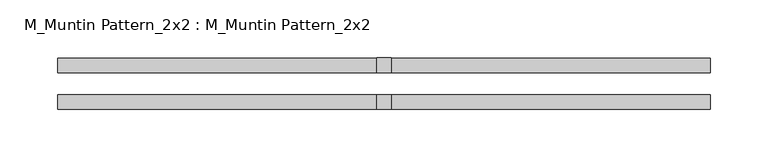
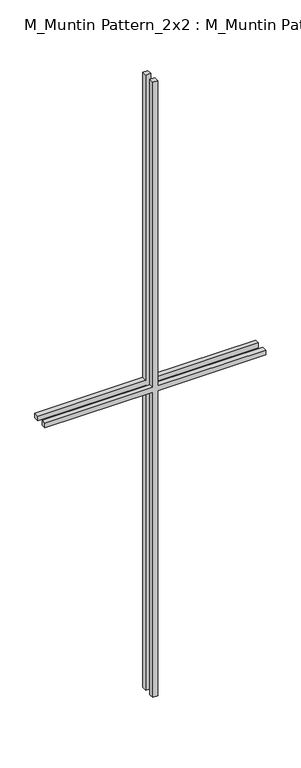
"""IFC4 building model written with IfcOpenShell, lengths in millimetres: proxy geometry, M_Muntin Pattern_2x2 : M_Muntin Pattern_2x2."""

from ifc_helpers import new_model, si_unit, frame, origin, place, context, project, spatial, polyline, outline, extrude, source, transform, mapped, element, save


def m_muntin_pattern_2x2_m_muntin_pattern_2x2_d2d4b859(model_context):
    return source(origin(), model_context, "Body", "SweptSolid", [
        extrude(outline(polyline([(836.5, -6.35), (836.5, -281.7375), (823.8, -281.7375), (823.8, -6.35), (0.0, -6.35), (0.0, 6.35), (823.8, 6.35), (823.8, 281.7375), (836.5, 281.7375), (836.5, 6.35), (1660.3, 6.35), (1660.3, -6.35), (836.5, -6.35)])), frame((0.0, 9.525, 0.0), z_axis=(0.0, 1.0, 0.0), x_axis=(0.0, 0.0, 1.0)), (0.0, 0.0, 1.0), 12.7),
        extrude(outline(polyline([(836.5, -6.35), (836.5, -281.7375), (823.8, -281.7375), (823.8, -6.35), (0.0, -6.35), (0.0, 6.35), (823.8, 6.35), (823.8, 281.7375), (836.5, 281.7375), (836.5, 6.35), (1660.3, 6.35), (1660.3, -6.35), (836.5, -6.35)])), frame((0.0, -22.225, 0.0), z_axis=(0.0, 1.0, 0.0), x_axis=(0.0, 0.0, 1.0)), (0.0, 0.0, 1.0), 12.7),
    ])


if __name__ == "__main__":
    model = new_model("IFC4")
    model_context = context("Model", 3, world=origin())
    ifc_project = project(units=[si_unit("LENGTHUNIT", "METRE", prefix="MILLI")], contexts=[model_context])
    site = spatial("IfcSite", under=ifc_project)
    building = spatial("IfcBuilding", under=site)
    placement = place(None, origin())
    m_muntin_pattern_2x2_m_muntin_pattern_2x2_shape = m_muntin_pattern_2x2_m_muntin_pattern_2x2_d2d4b859(model_context)
    element("IfcBuildingElementProxy", 1, Name="M_Muntin Pattern_2x2 : M_Muntin Pattern_2x2", ObjectType="M_Muntin Pattern_2x2 : M_Muntin Pattern_2x2", at=placement, inside=building, context=model_context, shape_type="MappedRepresentation", body=[
        mapped(m_muntin_pattern_2x2_m_muntin_pattern_2x2_shape, transform((0.0, 0.0, 0.0), x_axis=(1.0, 0.0, 0.0), y_axis=(0.0, 1.0, 0.0), z_axis=(0.0, 0.0, 1.0))),
    ])
    save(model, "model.ifc")
